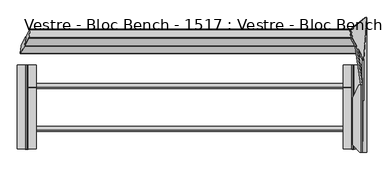
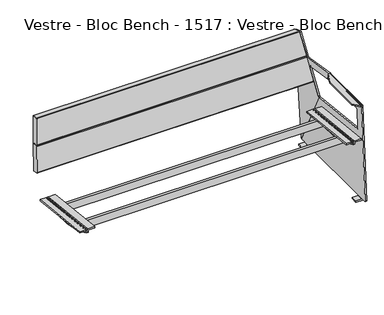
"""IFC4 building model written with IfcOpenShell, lengths in millimetres: furniture geometry, Vestre - Bloc Bench - 1517 : Vestre - Bloc Bench - 1517."""

from ifc_helpers import new_model, si_unit, frame, origin, place, context, project, spatial, polyline, circle_curve, ellipse_curve, outline, extrude, source, transform, mapped, element, save
from ifc_brep_helpers import plane_surface, cylinder_surface, revolved_surface, advanced_brep


def vestre_bloc_bench_1517_vestre_bloc_bench_1517_30f36f54(model_context):
    return source(origin(), model_context, "Body", "SolidModel", [
        advanced_brep(
        [(859.6028254, -318.9270883, 412.6183739), (817.6175866, -318.9270883, 412.6183739), (813.6175866, -319.360624, 408.6419375), (813.6175866, -319.8564605, 404.0940726), (813.6175866, -321.0984876, 392.7020678), (819.6131806, -321.0984876, 392.7020678), (819.6131806, -319.8223825, 404.4066392), (820.5642613, -319.7193007, 405.3521172), (859.6028254, -319.7193007, 405.3521172), (859.6028254, 98.7332944, 367.0824469), (859.6028254, 97.941082, 359.8161902), (820.5642613, 97.941082, 359.8161902), (819.6131806, 97.8380001, 358.8707122), (819.6131806, 96.5595156, 347.1443157), (813.6175866, 96.5595156, 347.1443157), (813.6175866, 97.8039221, 358.5581456), (813.6175866, 98.2997586, 363.1060105), (817.6175866, 98.7332944, 367.0824469)],
        [
            (0, 1),
            (1, 2, circle_curve(frame((817.6175866, -319.360624, 408.6419375), z_axis=(0.0, -0.9941091089617909, 0.10838394474826071), x_axis=(0.0, -0.10838394474826071, -0.9941091089617909)), 4.0)),
            (2, 3),
            (3, 4),
            (4, 5),
            (5, 6),
            (6, 7, circle_curve(frame((820.5642613, -319.8223825, 404.4066392), z_axis=(0.0, 0.9941091089617909, -0.10838394474826071), x_axis=(0.0, -0.10838394474826071, -0.9941091089617909)), 0.9510807)),
            (7, 8),
            (8, 0),
            (9, 10),
            (10, 11),
            (11, 12, circle_curve(frame((820.5642613, 97.8380001, 358.8707122), z_axis=(0.0, -0.9941091089617909, 0.10838394474826071), x_axis=(0.0, -0.10838394474826071, -0.9941091089617909)), 0.9510807)),
            (12, 13),
            (13, 14),
            (14, 15),
            (15, 16),
            (16, 17, circle_curve(frame((817.6175866, 98.2997586, 363.1060105), z_axis=(0.0, 0.9941091089617909, -0.10838394474826071), x_axis=(0.0, -0.10838394474826071, -0.9941091089617909)), 4.0)),
            (17, 9),
            (8, 10),
            (9, 0),
            (7, 11),
            (6, 12),
            (5, 13, circle_curve(frame((819.6131806, -59.7670647, 851.2475639), z_axis=(1.0, 0.0, 0.0), x_axis=(0.0, -1.0, 0.0)), 527.7860216)),
            (3, 15),
            (14, 4, circle_curve(frame((813.6175866, -59.7670647, 851.2475639), z_axis=(-1.0, 0.0, 0.0), x_axis=(0.0, -1.0, 0.0)), 527.7860216)),
            (2, 16),
            (1, 17),
        ],
        [
            plane_surface(frame((813.6175929, -318.9270883, 412.6183739), z_axis=(0.0, -0.9941091089617909, 0.10838394474826071), x_axis=(-1.0, 0.0, 0.0))),
            plane_surface(frame((813.6175929, 98.7332944, 367.0824469), z_axis=(0.0, 0.9941091089617909, -0.10838394474826071), x_axis=(1.0, 0.0, 0.0))),
            plane_surface(frame((859.6028254, -319.7193007, 405.3521172), z_axis=(1.0000000000000002, 0.0, 0.0), x_axis=(0.0, 0.994109108961791, -0.10838394474826066))),
            plane_surface(frame((820.5642613, -319.7193007, 405.3521172), z_axis=(0.0, -0.10838394474826066, -0.994109108961791), x_axis=(0.0, 0.994109108961791, -0.10838394474826066))),
            revolved_surface(polyline([(820.5642613, 97.73491824228601, 357.9252342105562), (820.5642613, -319.92546445485533, 403.46116123677587)]), (820.5642613, 97.8380001, 358.8707122), (0.0, 0.9941091089617909, -0.10838394474826071)),
            plane_surface(frame((819.6131806, -320.2027771, 400.9176199), z_axis=(1.0000000000000002, 0.0, 0.0), x_axis=(0.0, 0.994109108961791, -0.10838394474826066))),
            plane_surface(frame((813.6175866, -319.8564605, 404.0940726), z_axis=(-1.0000000000000002, 0.0, 0.0), x_axis=(0.0, 0.994109108961791, -0.10838394474826064))),
            plane_surface(frame((813.6175866, -319.360624, 408.6419375), z_axis=(-1.0000000000000002, 0.0, 0.0), x_axis=(0.0, 0.994109108961791, -0.10838394474826066))),
            cylinder_surface(frame((817.6175866, 98.2997586, 363.1060105), z_axis=(0.0, -0.9941091089617909, 0.10838394474826071), x_axis=(0.0, -0.10838394474826071, -0.9941091089617909)), 4.0),
            plane_surface(frame((859.6028254, -318.9270883, 412.6183739), z_axis=(0.0, 0.10838394474826066, 0.994109108961791), x_axis=(0.0, 0.994109108961791, -0.10838394474826066))),
            cylinder_surface(frame((819.6131806, -59.7670647, 851.2475639), z_axis=(-1.0, 0.0, 0.0), x_axis=(0.0, -1.0, 0.0)), 527.7860216),
        ],
        [
            (0, [[1, 2, 3, 4, 5, 6, 7, 8, 9]]),
            (1, [[10, 11, 12, 13, 14, 15, 16, 17, 18]]),
            (2, [[-9, 19, -10, 20]]),
            (3, [[-8, 21, -11, -19]]),
            (4, [[-7, 22, -12, -21]]),
            (5, [[-13, -22, -6, 23]]),
            (6, [[-4, 24, -15, 25]]),
            (7, [[-3, 26, -16, -24]]),
            (8, [[-2, 27, -17, -26]]),
            (9, [[-1, -20, -18, -27]]),
            (10, [[-25, -14, -23, -5]]),
        ],
    ),
        advanced_brep(
        [(766.5577736, -318.9102447, 412.772865), (766.5577736, -319.7193007, 405.3521172), (805.5963377, -319.7193007, 405.3521172), (806.5474184, -319.8223825, 404.4066392), (806.5474184, -321.0984876, 392.7020678), (812.5430123, -321.0984876, 392.7020678), (812.5430123, -319.8564605, 404.0940726), (812.5430123, -319.3437805, 408.7964286), (808.5430123, -318.9102447, 412.772865), (766.5577736, 98.750138, 367.236938), (808.5430123, 98.750138, 367.236938), (812.5430123, 98.3166022, 363.2605016), (812.5430123, 97.8039221, 358.5581456), (812.5430123, 96.5595156, 347.1443157), (806.5474184, 96.5595156, 347.1443157), (806.5474184, 97.8380001, 358.8707122), (805.5963377, 97.941082, 359.8161902), (766.5577736, 97.941082, 359.8161902)],
        [
            (0, 1),
            (1, 2),
            (2, 3, circle_curve(frame((805.5963377, -319.8223825, 404.4066392), z_axis=(0.0, 0.9941091089617909, -0.10838394474826071), x_axis=(0.0, -0.10838394474826071, -0.9941091089617909)), 0.9510807)),
            (3, 4),
            (4, 5),
            (5, 6),
            (6, 7),
            (7, 8, circle_curve(frame((808.5430123, -319.3437805, 408.7964286), z_axis=(0.0, -0.9941091089617909, 0.10838394474826071), x_axis=(0.0, -0.10838394474826071, -0.9941091089617909)), 4.0)),
            (8, 0),
            (9, 10),
            (10, 11, circle_curve(frame((808.5430123, 98.3166022, 363.2605016), z_axis=(0.0, 0.9941091089617909, -0.10838394474826071), x_axis=(0.0, -0.10838394474826071, -0.9941091089617909)), 4.0)),
            (11, 12),
            (12, 13),
            (13, 14),
            (14, 15),
            (15, 16, circle_curve(frame((805.5963377, 97.8380001, 358.8707122), z_axis=(0.0, -0.9941091089617909, 0.10838394474826071), x_axis=(0.0, -0.10838394474826071, -0.9941091089617909)), 0.9510807)),
            (16, 17),
            (17, 9),
            (0, 9),
            (17, 1),
            (16, 2),
            (15, 3),
            (14, 4, circle_curve(frame((806.5474184, -59.7670647, 851.2475639), z_axis=(-1.0, 0.0, 0.0), x_axis=(0.0, -1.0, 0.0)), 527.7860216)),
            (5, 13, circle_curve(frame((812.5430123, -59.7670647, 851.2475639), z_axis=(1.0, 0.0, 0.0), x_axis=(0.0, -1.0, 0.0)), 527.7860216)),
            (12, 6),
            (11, 7),
            (10, 8),
        ],
        [
            plane_surface(frame((766.5577736, -319.8423819, 404.223203), z_axis=(0.0, -0.9941091089617909, 0.10838394474826071), x_axis=(0.0, -0.10838394474826071, -0.9941091089617909))),
            plane_surface(frame((766.5577736, 97.8180007, 358.6872759), z_axis=(0.0, 0.9941091089617909, -0.10838394474826071), x_axis=(0.0, 0.10838394474826071, 0.9941091089617909))),
            plane_surface(frame((766.5577736, -318.9102447, 412.772865), z_axis=(-1.0000000000000002, 0.0, 0.0), x_axis=(0.0, 0.994109108961791, -0.10838394474826066))),
            plane_surface(frame((766.5577736, -319.7193007, 405.3521172), z_axis=(0.0, -0.10838394474826069, -0.994109108961791), x_axis=(0.0, 0.994109108961791, -0.10838394474826069))),
            revolved_surface(polyline([(805.5963377, 97.73491824228601, 357.9252342105562), (805.5963377, -319.92546445485533, 403.46116123677587)]), (805.5963377, 97.8380001, 358.8707122), (0.0, 0.9941091089617909, -0.10838394474826071)),
            plane_surface(frame((806.5474184, -319.8223825, 404.4066392), z_axis=(-1.0000000000000002, 0.0, 0.0), x_axis=(0.0, 0.994109108961791, -0.10838394474826064))),
            plane_surface(frame((812.5430123, -320.2027771, 400.9176199), z_axis=(1.0000000000000002, 0.0, 0.0), x_axis=(0.0, 0.994109108961791, -0.10838394474826066))),
            plane_surface(frame((812.5430123, -319.8564605, 404.0940726), z_axis=(1.0000000000000002, 0.0, 0.0), x_axis=(0.0, 0.994109108961791, -0.10838394474826066))),
            cylinder_surface(frame((808.5430123, 98.3166022, 363.2605016), z_axis=(0.0, -0.9941091089617909, 0.10838394474826071), x_axis=(0.0, -0.10838394474826071, -0.9941091089617909)), 4.0),
            plane_surface(frame((808.5430123, -318.9102447, 412.772865), z_axis=(0.0, 0.10838394474826066, 0.994109108961791), x_axis=(0.0, 0.994109108961791, -0.10838394474826066))),
            cylinder_surface(frame((806.5474184, -59.7670647, 851.2475639), z_axis=(1.0, 0.0, 0.0), x_axis=(0.0, -1.0, 0.0)), 527.7860216),
        ],
        [
            (0, [[1, 2, 3, 4, 5, 6, 7, 8, 9]]),
            (1, [[10, 11, 12, 13, 14, 15, 16, 17, 18]]),
            (2, [[-1, 19, -18, 20]]),
            (3, [[-2, -20, -17, 21]]),
            (4, [[-3, -21, -16, 22]]),
            (5, [[-4, -22, -15, 23]]),
            (6, [[-6, 24, -13, 25]]),
            (7, [[-7, -25, -12, 26]]),
            (8, [[-8, -26, -11, 27]]),
            (9, [[-9, -27, -10, -19]]),
            (10, [[-24, -5, -23, -14]]),
        ],
    ),
        advanced_brep(
        [(-766.5577736, -318.8898286, 412.9601231), (-808.5430123, -318.8898286, 412.9601231), (-812.5430123, -319.3233644, 408.9836866), (-812.5430123, -319.8564605, 404.0940726), (-812.5430123, -321.0984876, 392.7020678), (-806.5474184, -321.0984876, 392.7020678), (-806.5474184, -319.8223825, 404.4066392), (-805.5963377, -319.7193007, 405.3521172), (-766.5577736, -319.7193007, 405.3521172), (-766.5577736, 98.770554, 367.4241961), (-766.5577736, 97.941082, 359.8161902), (-805.5963377, 97.941082, 359.8161902), (-806.5474184, 97.8380001, 358.8707122), (-806.5474184, 96.5595156, 347.1443157), (-812.5430123, 96.5595156, 347.1443157), (-812.5430123, 97.8039221, 358.5581456), (-812.5430123, 98.3370182, 363.4477596), (-808.5430123, 98.770554, 367.4241961)],
        [
            (0, 1),
            (1, 2, circle_curve(frame((-808.5430123, -319.3233644, 408.9836866), z_axis=(0.0, -0.9941091089617909, 0.10838394474826071), x_axis=(0.0, -0.10838394474826071, -0.9941091089617909)), 4.0)),
            (2, 3),
            (3, 4),
            (4, 5),
            (5, 6),
            (6, 7, circle_curve(frame((-805.5963377, -319.8223825, 404.4066392), z_axis=(0.0, 0.9941091089617909, -0.10838394474826071), x_axis=(0.0, -0.10838394474826071, -0.9941091089617909)), 0.9510807)),
            (7, 8),
            (8, 0),
            (9, 10),
            (10, 11),
            (11, 12, circle_curve(frame((-805.5963377, 97.8380001, 358.8707122), z_axis=(0.0, -0.9941091089617909, 0.10838394474826071), x_axis=(0.0, -0.10838394474826071, -0.9941091089617909)), 0.9510807)),
            (12, 13),
            (13, 14),
            (14, 15),
            (15, 16),
            (16, 17, circle_curve(frame((-808.5430123, 98.3370182, 363.4477596), z_axis=(0.0, 0.9941091089617909, -0.10838394474826071), x_axis=(0.0, -0.10838394474826071, -0.9941091089617909)), 4.0)),
            (17, 9),
            (8, 10),
            (9, 0),
            (7, 11),
            (6, 12),
            (5, 13, circle_curve(frame((-806.5474184, -59.7670647, 851.2475639), z_axis=(1.0, 0.0, 0.0), x_axis=(0.0, -1.0, 0.0)), 527.7860216)),
            (3, 15),
            (14, 4, circle_curve(frame((-812.5430123, -59.7670647, 851.2475639), z_axis=(-1.0, 0.0, 0.0), x_axis=(0.0, -1.0, 0.0)), 527.7860216)),
            (2, 16),
            (1, 17),
        ],
        [
            plane_surface(frame((-812.5430123, -318.8898286, 412.9601231), z_axis=(0.0, -0.9941091089617909, 0.10838394474826071), x_axis=(-1.0, 0.0, 0.0))),
            plane_surface(frame((-812.5430123, 98.770554, 367.4241961), z_axis=(0.0, 0.9941091089617909, -0.10838394474826071), x_axis=(1.0, 0.0, 0.0))),
            plane_surface(frame((-766.5577736, -319.7193007, 405.3521172), z_axis=(1.0000000000000002, 0.0, 0.0), x_axis=(0.0, 0.994109108961791, -0.10838394474826069))),
            plane_surface(frame((-805.5963377, -319.7193007, 405.3521172), z_axis=(0.0, -0.10838394474826069, -0.994109108961791), x_axis=(0.0, 0.994109108961791, -0.10838394474826069))),
            revolved_surface(polyline([(-805.5963377, 97.73491824228601, 357.9252342105562), (-805.5963377, -319.92546445485533, 403.46116123677587)]), (-805.5963377, 97.8380001, 358.8707122), (0.0, 0.9941091089617909, -0.10838394474826071)),
            plane_surface(frame((-806.5474184, -320.2027771, 400.9176199), z_axis=(1.0000000000000002, 0.0, 0.0), x_axis=(0.0, 0.994109108961791, -0.10838394474826066))),
            plane_surface(frame((-812.5430123, -319.8564605, 404.0940726), z_axis=(-1.0000000000000002, 0.0, 0.0), x_axis=(0.0, 0.994109108961791, -0.10838394474826066))),
            plane_surface(frame((-812.5430123, -319.3233644, 408.9836866), z_axis=(-1.0000000000000002, 0.0, 0.0), x_axis=(0.0, 0.994109108961791, -0.10838394474826066))),
            cylinder_surface(frame((-808.5430123, 98.3370182, 363.4477596), z_axis=(0.0, -0.9941091089617909, 0.10838394474826071), x_axis=(0.0, -0.10838394474826071, -0.9941091089617909)), 4.0),
            plane_surface(frame((-766.5577736, -318.8898286, 412.9601231), z_axis=(0.0, 0.10838394474826066, 0.994109108961791), x_axis=(0.0, 0.994109108961791, -0.10838394474826066))),
            cylinder_surface(frame((-806.5474184, -59.7670647, 851.2475639), z_axis=(-1.0, 0.0, 0.0), x_axis=(0.0, -1.0, 0.0)), 527.7860216),
        ],
        [
            (0, [[1, 2, 3, 4, 5, 6, 7, 8, 9]]),
            (1, [[10, 11, 12, 13, 14, 15, 16, 17, 18]]),
            (2, [[-9, 19, -10, 20]]),
            (3, [[-8, 21, -11, -19]]),
            (4, [[-7, 22, -12, -21]]),
            (5, [[-13, -22, -6, 23]]),
            (6, [[-4, 24, -15, 25]]),
            (7, [[-3, 26, -16, -24]]),
            (8, [[-2, 27, -17, -26]]),
            (9, [[-1, -20, -18, -27]]),
            (10, [[-25, -14, -23, -5]]),
        ],
    ),
        advanced_brep(
        [(-859.6028254, -318.8982426, 412.8829495), (-859.6028254, -319.7193007, 405.3521172), (-820.5642613, -319.7193007, 405.3521172), (-819.6131806, -319.8223825, 404.4066392), (-819.6131806, -321.0984876, 392.7020678), (-813.6175866, -321.0984876, 392.7020678), (-813.6175866, -319.8564605, 404.0940726), (-813.6175866, -319.3317784, 408.9065131), (-817.6175866, -318.8982426, 412.8829495), (-859.6028254, 98.76214, 367.3470225), (-817.6175866, 98.76214, 367.3470225), (-813.6175866, 98.3286043, 363.3705861), (-813.6175866, 97.8039221, 358.5581456), (-813.6175866, 96.5595156, 347.1443157), (-819.6131806, 96.5595156, 347.1443157), (-819.6131806, 97.8380001, 358.8707122), (-820.5642613, 97.941082, 359.8161902), (-859.6028254, 97.941082, 359.8161902)],
        [
            (0, 1),
            (1, 2),
            (2, 3, circle_curve(frame((-820.5642613, -319.8223825, 404.4066392), z_axis=(0.0, 0.9941091089617909, -0.10838394474826071), x_axis=(0.0, -0.10838394474826071, -0.9941091089617909)), 0.9510807)),
            (3, 4),
            (4, 5),
            (5, 6),
            (6, 7),
            (7, 8, circle_curve(frame((-817.6175866, -319.3317784, 408.9065131), z_axis=(0.0, -0.9941091089617909, 0.10838394474826071), x_axis=(0.0, -0.10838394474826071, -0.9941091089617909)), 4.0)),
            (8, 0),
            (9, 10),
            (10, 11, circle_curve(frame((-817.6175866, 98.3286043, 363.3705861), z_axis=(0.0, 0.9941091089617909, -0.10838394474826071), x_axis=(0.0, -0.10838394474826071, -0.9941091089617909)), 4.0)),
            (11, 12),
            (12, 13),
            (13, 14),
            (14, 15),
            (15, 16, circle_curve(frame((-820.5642613, 97.8380001, 358.8707122), z_axis=(0.0, -0.9941091089617909, 0.10838394474826071), x_axis=(0.0, -0.10838394474826071, -0.9941091089617909)), 0.9510807)),
            (16, 17),
            (17, 9),
            (0, 9),
            (17, 1),
            (16, 2),
            (15, 3),
            (14, 4, circle_curve(frame((-819.6131806, -59.7670647, 851.2475639), z_axis=(-1.0, 0.0, 0.0), x_axis=(0.0, -1.0, 0.0)), 527.7860216)),
            (5, 13, circle_curve(frame((-813.6175866, -59.7670647, 851.2475639), z_axis=(1.0, 0.0, 0.0), x_axis=(0.0, -1.0, 0.0)), 527.7860216)),
            (12, 6),
            (11, 7),
            (10, 8),
        ],
        [
            plane_surface(frame((-859.6028254, -319.8423819, 404.223203), z_axis=(0.0, -0.9941091089617909, 0.10838394474826071), x_axis=(0.0, -0.10838394474826071, -0.9941091089617909))),
            plane_surface(frame((-859.6028254, 97.8180007, 358.6872759), z_axis=(0.0, 0.9941091089617909, -0.10838394474826071), x_axis=(0.0, 0.10838394474826071, 0.9941091089617909))),
            plane_surface(frame((-859.6028254, -318.8982426, 412.8829495), z_axis=(-1.0000000000000002, 0.0, 0.0), x_axis=(0.0, 0.994109108961791, -0.10838394474826066))),
            plane_surface(frame((-859.6028254, -319.7193007, 405.3521172), z_axis=(0.0, -0.10838394474826069, -0.994109108961791), x_axis=(0.0, 0.994109108961791, -0.10838394474826069))),
            revolved_surface(polyline([(-820.5642613, 97.73491824228601, 357.9252342105562), (-820.5642613, -319.92546445485533, 403.46116123677587)]), (-820.5642613, 97.8380001, 358.8707122), (0.0, 0.9941091089617909, -0.10838394474826071)),
            plane_surface(frame((-819.6131806, -319.8223825, 404.4066392), z_axis=(-1.0000000000000002, 0.0, 0.0), x_axis=(0.0, 0.994109108961791, -0.10838394474826064))),
            plane_surface(frame((-813.6175866, -320.2027771, 400.9176199), z_axis=(1.0000000000000002, 0.0, 0.0), x_axis=(0.0, 0.994109108961791, -0.10838394474826066))),
            plane_surface(frame((-813.6175866, -319.8564605, 404.0940726), z_axis=(1.0000000000000002, 0.0, 0.0), x_axis=(0.0, 0.994109108961791, -0.10838394474826066))),
            cylinder_surface(frame((-817.6175866, 98.3286043, 363.3705861), z_axis=(0.0, -0.9941091089617909, 0.10838394474826071), x_axis=(0.0, -0.10838394474826071, -0.9941091089617909)), 4.0),
            plane_surface(frame((-817.6175866, -318.8982426, 412.8829495), z_axis=(0.0, 0.10838394474826066, 0.994109108961791), x_axis=(0.0, 0.994109108961791, -0.10838394474826066))),
            cylinder_surface(frame((-819.6131806, -59.7670647, 851.2475639), z_axis=(1.0, 0.0, 0.0), x_axis=(0.0, -1.0, 0.0)), 527.7860216),
        ],
        [
            (0, [[1, 2, 3, 4, 5, 6, 7, 8, 9]]),
            (1, [[10, 11, 12, 13, 14, 15, 16, 17, 18]]),
            (2, [[-1, 19, -18, 20]]),
            (3, [[-2, -20, -17, 21]]),
            (4, [[-3, -21, -16, 22]]),
            (5, [[-4, -22, -15, 23]]),
            (6, [[-6, 24, -13, 25]]),
            (7, [[-7, -25, -12, 26]]),
            (8, [[-8, -26, -11, 27]]),
            (9, [[-9, -27, -10, -19]]),
            (10, [[-24, -5, -23, -14]]),
        ],
    ),
        advanced_brep(
        [(859.6494877, -336.3224978, 634.6042367), (853.6895812, -336.3224978, 640.3596516), (851.4436279, -336.3224978, 640.3596516), (846.5946295, -336.3224978, 640.3596516), (846.5946295, -336.3224978, 632.2382321), (850.2766357, -336.3224978, 632.2382321), (851.7778593, -336.3224978, 630.7885173), (873.3168867, -336.3224978, 13.9914716), (881.3120133, -336.3224978, 14.2706676), (851.7778593, 0.0, 630.7885173), (850.2766357, 0.0, 632.2382321), (842.6377771, 0.0, 632.2382321), (842.6377771, 0.0, 640.3596516), (851.4436279, 0.0, 640.3596516), (853.6895812, 0.0, 640.3596516), (859.6494877, 0.0, 634.6042367), (859.8164077, 0.0, 629.8242748), (851.8212811, 0.0, 629.5450788), (812.6404131, -298.6125202, 632.2382321), (812.6404131, -64.9029098, 632.2382321), (812.6404131, -298.6125202, 640.3596516), (812.6404131, -64.9029098, 640.3596516), (881.4516113, -332.3224978, 10.2731042), (881.4516113, -303.3438949, 10.2731042), (881.4516113, -263.3438949, 10.2731042), (881.4516113, 263.3438949, 10.2731042), (881.4516113, 303.3438949, 10.2731042), (881.4516113, 333.3438949, 10.2731042), (881.4138659, 336.0793859, 11.3539925), (867.5075955, 124.5938136, 409.5774734), (865.9556261, -281.1025506, 454.0200604), (865.8167736, -284.6669706, 457.9962761), (861.3419594, -284.6668873, 586.1381898), (861.2022765, -280.671368, 590.1381847), (861.1901816, 28.5190326, 590.4845362), (859.8164077, 7.626776, 629.8242748), (851.8212811, 7.626776, 629.5450788), (853.1853111, 28.3708474, 590.4843702), (853.1974001, -280.671368, 590.1381847), (853.337083, -284.6668873, 586.1381898), (857.8118973, -284.6669706, 457.9962761), (857.9507498, -281.1025506, 454.0200604), (859.5021169, 124.4363813, 409.5947195), (873.4187392, 336.0793859, 11.0747965), (873.4564847, 333.3438949, 9.9939083), (873.4564847, 303.3438949, 9.9939083), (873.4886988, 303.3438949, 9.0714168), (873.4886988, 263.3438949, 9.0714168), (873.4564847, 263.3438949, 9.9939083), (873.4564847, -263.3438949, 9.9939083), (873.4886988, -263.3438949, 9.0714168), (873.4886988, -303.3438949, 9.0714168), (873.4564847, -303.3438949, 9.9939083), (873.4564847, -332.3224978, 9.9939083), (872.4540437, -303.3438949, 8.0), (835.810356, -303.3438949, 8.0), (835.810356, -303.3438949, 0.0), (873.5140122, -303.3438949, 0.0), (881.4516113, -303.3438949, 8.2703475), (872.4540437, -263.3438949, 8.0), (881.4516113, -263.3438949, 8.2703475), (873.5140122, -263.3438949, 0.0), (835.810356, -263.3438949, 0.0), (835.810356, -263.3438949, 8.0), (872.4540437, 303.3438949, 8.0), (881.4516113, 303.3438949, 8.2703475), (873.5140122, 303.3438949, 0.0), (835.810356, 303.3438949, 0.0), (835.810356, 303.3438949, 8.0), (872.4540437, 263.3438949, 8.0), (835.810356, 263.3438949, 8.0), (835.810356, 263.3438949, 0.0), (873.5140122, 263.3438949, 0.0), (881.4516113, 263.3438949, 8.2703475)],
        [
            (0, 1, circle_curve(frame((853.6895812, -336.3224978, 634.3961122), z_axis=(0.0, -1.0, 0.0), x_axis=(-1.0, 0.0, 0.0)), 5.9635394)),
            (1, 2),
            (2, 3),
            (3, 4),
            (4, 5),
            (5, 6, circle_curve(frame((850.2766357, -336.3224978, 630.7360934), z_axis=(0.0, 1.0, 0.0), x_axis=(-1.0, 0.0, 0.0)), 1.5021387)),
            (6, 7),
            (7, 8),
            (8, 0),
            (9, 10, circle_curve(frame((850.2766357, 0.0, 630.7360934), z_axis=(0.0, -1.0, 0.0), x_axis=(-1.0, 0.0, 0.0)), 1.5021387)),
            (10, 11),
            (11, 12),
            (12, 13),
            (13, 14),
            (14, 15, circle_curve(frame((853.6895812, 0.0, 634.3961122), z_axis=(0.0, 1.0, 0.0), x_axis=(-1.0, 0.0, 0.0)), 5.9635394)),
            (15, 16),
            (16, 17),
            (17, 9),
            (10, 5),
            (4, 18),
            (18, 19),
            (19, 11),
            (18, 20),
            (20, 21),
            (21, 19),
            (2, 13),
            (12, 21),
            (20, 3),
            (1, 14),
            (15, 0),
            (8, 22, circle_curve(frame((881.3120133, -332.3224978, 14.2706676), z_axis=(0.9993908270190959, 0.0, 0.0348994967025008), x_axis=(0.0348994967025008, 0.0, -0.9993908270190959)), 4.0)),
            (22, 23),
            (23, 24),
            (24, 25),
            (25, 26),
            (26, 27),
            (27, 28, circle_curve(frame((881.3120088, 333.3438949, 14.2707962), z_axis=(0.9993908270190959, 0.0, 0.0348994967025008), x_axis=(0.0348994967025008, 0.0, -0.9993908270190959)), 4.0001287)),
            (28, 29),
            (29, 30),
            (30, 31, ellipse_curve(frame((865.8167737, -280.6669706, 457.9962735), z_axis=(-0.9993908270190961, 0.0, -0.03489949670249125), x_axis=(-0.03489949670248915, 0.0, 0.9993908270190963)), 4.0024382, 4.0)),
            (31, 32),
            (32, 33, ellipse_curve(frame((861.3419595, -280.6668873, 586.1381872), z_axis=(-0.9993908270190961, 0.0, -0.03489949670249125), x_axis=(-0.03489949670248915, 0.0, 0.9993908270190963)), 4.0024382, 4.0)),
            (33, 34),
            (34, 35),
            (35, 16),
            (6, 9),
            (17, 36),
            (36, 37),
            (37, 38),
            (38, 39, ellipse_curve(frame((853.3370831, -280.6668873, 586.1381872), z_axis=(0.9993908270190955, 0.0, 0.03489949670250719), x_axis=(-0.03489949670250501, 0.0, 0.9993908270190955)), 4.0024382, 4.0)),
            (39, 40),
            (40, 41, ellipse_curve(frame((857.8118974, -280.6669706, 457.9962735), z_axis=(0.9993908270190955, 0.0, 0.03489949670250719), x_axis=(-0.03489949670250501, 0.0, 0.9993908270190955)), 4.0024382, 4.0)),
            (41, 42),
            (42, 43),
            (43, 44, circle_curve(frame((873.3168822, 333.3438949, 13.9916002), z_axis=(-0.9993908270190959, 0.0, -0.0348994967025008), x_axis=(0.0348994967025008, 0.0, -0.9993908270190959)), 4.0001287)),
            (44, 45),
            (45, 46),
            (46, 47),
            (47, 48),
            (48, 49),
            (49, 50),
            (50, 51),
            (51, 52),
            (52, 53),
            (53, 7, circle_curve(frame((873.3168867, -332.3224978, 13.9914716), z_axis=(-0.9993908270190959, 0.0, -0.0348994967025008), x_axis=(0.0348994967025008, 0.0, -0.9993908270190959)), 4.0)),
            (28, 43),
            (42, 29),
            (36, 35),
            (34, 37),
            (27, 44),
            (26, 45),
            (22, 53),
            (52, 23),
            (24, 49),
            (48, 25),
            (54, 55),
            (55, 56),
            (56, 57),
            (57, 58, circle_curve(frame((873.1742893, -303.3438949, 8.2703475), z_axis=(0.0, -1.0, 0.0), x_axis=(-1.0, 0.0, 0.0)), 8.277322)),
            (58, 23),
            (51, 54, circle_curve(frame((872.4540437, -303.3438949, 9.0352858), z_axis=(0.0, 1.0, 0.0), x_axis=(-1.0, 0.0, 0.0)), 1.0352858)),
            (59, 50, circle_curve(frame((872.4540437, -263.3438949, 9.0352858), z_axis=(0.0, -1.0, 0.0), x_axis=(-1.0, 0.0, 0.0)), 1.0352858)),
            (24, 60),
            (60, 61, circle_curve(frame((873.1742893, -263.3438949, 8.2703475), z_axis=(0.0, 1.0, 0.0), x_axis=(-1.0, 0.0, 0.0)), 8.277322)),
            (61, 62),
            (62, 63),
            (63, 59),
            (59, 54),
            (56, 62),
            (61, 57),
            (55, 63),
            (58, 60),
            (64, 46, circle_curve(frame((872.4540437, 303.3438949, 9.0352858), z_axis=(0.0, -1.0, 0.0), x_axis=(-1.0, 0.0, 0.0)), 1.0352858)),
            (26, 65),
            (65, 66, circle_curve(frame((873.1742893, 303.3438949, 8.2703475), z_axis=(0.0, 1.0, 0.0), x_axis=(-1.0, 0.0, 0.0)), 8.277322)),
            (66, 67),
            (67, 68),
            (68, 64),
            (69, 70),
            (70, 71),
            (71, 72),
            (72, 73, circle_curve(frame((873.1742893, 263.3438949, 8.2703475), z_axis=(0.0, -1.0, 0.0), x_axis=(-1.0, 0.0, 0.0)), 8.277322)),
            (73, 25),
            (47, 69, circle_curve(frame((872.4540437, 263.3438949, 9.0352858), z_axis=(0.0, 1.0, 0.0), x_axis=(-1.0, 0.0, 0.0)), 1.0352858)),
            (64, 69),
            (66, 72),
            (71, 67),
            (70, 68),
            (73, 65),
            (33, 38),
            (32, 39),
            (31, 40),
            (30, 41),
        ],
        [
            plane_surface(frame((847.7260418, -336.3224978, 634.3961122), z_axis=(0.0, -1.0, 0.0), x_axis=(0.0, 0.0, -1.0))),
            plane_surface(frame((847.7260418, 0.0, 634.3961122), z_axis=(0.0, 1.0, 0.0), x_axis=(0.0, 0.0, 1.0))),
            plane_surface(frame((812.6404131, -336.3224978, 632.2382321), z_axis=(0.0, 0.0, -1.0), x_axis=(0.0, 1.0, 0.0))),
            plane_surface(frame((812.6404131, -336.3224978, 640.3596516), z_axis=(-1.0, 0.0, 0.0), x_axis=(0.0, 1.0, 0.0))),
            plane_surface(frame((851.4436279, -336.3224978, 640.3596516), z_axis=(0.0, 0.0, 1.0), x_axis=(0.0, 1.0, 0.0))),
            plane_surface(frame((853.6895812, -336.3224978, 640.3596516), z_axis=(0.0, 0.0, 1.0), x_axis=(0.0, 1.0, 0.0))),
            plane_surface(frame((859.8862566, -336.3224978, 627.8240627), z_axis=(0.9993908270190961, 0.0, 0.03489949670249125), x_axis=(0.0, 1.0, 0.0))),
            cylinder_surface(frame((853.6895812, 0.0, 634.3961122), z_axis=(0.0, -1.0, 0.0), x_axis=(-1.0, 0.0, 0.0)), 5.9635394),
            plane_surface(frame((851.7778593, -336.3224978, 630.7885173), z_axis=(-0.9993908270190955, 0.0, -0.03489949670250719), x_axis=(0.0, 1.0, 0.0))),
            revolved_surface(polyline([(848.774497, 0.0, 630.7360934), (848.774497, -336.3224978, 630.7360934)]), (850.2766357, 0.0, 630.7360934), (0.0, 1.0, 0.0)),
            plane_surface(frame((842.6377771, 0.0, 616.5713791), z_axis=(-0.9077348201474655, 0.419544391324504, 0.0), x_axis=(0.0, 0.0, 1.0))),
            plane_surface(frame((812.6352383, -298.6067729, 616.5713791), z_axis=(-0.7431448254773961, -0.6691306063588561, 0.0), x_axis=(0.0, 0.0, 1.0))),
            plane_surface(frame((881.4138659, 336.0793859, 11.3539925), z_axis=(-0.01636123681982898, 0.8832989769010681, 0.46852452159439023), x_axis=(-0.9993908270190958, 0.0, -0.034899496702500754))),
            cylinder_surface(frame((873.3168822, 333.3438949, 13.9916002), z_axis=(0.9993908270190959, 0.0, 0.0348994967025008), x_axis=(0.0348994967025008, 0.0, -0.9993908270190959)), 4.0001287),
            plane_surface(frame((881.4516113, -332.3224978, 10.2731042), z_axis=(0.034899496702500754, 0.0, -0.9993908270190958), x_axis=(-0.9993908270190958, 0.0, -0.034899496702500754))),
            cylinder_surface(frame((873.3168867, -332.3224978, 13.9914716), z_axis=(0.9993908270190959, 0.0, 0.0348994967025008), x_axis=(0.0348994967025008, 0.0, -0.9993908270190959)), 4.0),
            plane_surface(frame((859.8164077, 7.626776, 629.8242748), z_axis=(-0.034899496702506035, 0.0, 0.9993908270190955), x_axis=(-0.9993908270190955, 0.0, -0.034899496702506035))),
            plane_surface(frame((835.810356, -303.3438949, 8.0), z_axis=(0.0, -1.0, 0.0), x_axis=(-1.0, 0.0, 0.0))),
            plane_surface(frame((835.810356, -263.3438949, 8.0), z_axis=(0.0, 1.0, 0.0), x_axis=(1.0, 0.0, 0.0))),
            revolved_surface(polyline([(871.4187579000001, -263.3438949, 9.0352858), (871.4187579000001, -303.3438949, 9.0352858)]), (872.4540437, -263.3438949, 9.0352858), (0.0, 1.0, 0.0)),
            plane_surface(frame((835.810356, -303.3438949, 0.0), z_axis=(0.0, 0.0, -1.0), x_axis=(0.0, 1.0, 0.0))),
            plane_surface(frame((835.810356, -303.3438949, 8.0), z_axis=(-1.0, 0.0, 0.0), x_axis=(0.0, 1.0, 0.0))),
            plane_surface(frame((872.4540437, -303.3438949, 8.0), z_axis=(0.0, 0.0, 1.0), x_axis=(0.0, 1.0, 0.0))),
            plane_surface(frame((881.4516113, -303.3438949, 8.2703475), z_axis=(1.0, 0.0, 0.0), x_axis=(0.0, 1.0, 0.0))),
            cylinder_surface(frame((873.1742893, -263.3438949, 8.2703475), z_axis=(0.0, -1.0, 0.0), x_axis=(-1.0, 0.0, 0.0)), 8.277322),
            plane_surface(frame((871.4187578, 303.3438949, 9.0352858), z_axis=(0.0, 1.0, 0.0), x_axis=(0.0, 0.0, -1.0))),
            plane_surface(frame((871.4187578, 263.3438949, 9.0352858), z_axis=(0.0, -1.0, 0.0), x_axis=(0.0, 0.0, 1.0))),
            revolved_surface(polyline([(871.4187579000001, 263.3438949, 9.0352858), (871.4187579000001, 303.3438949, 9.0352858)]), (872.4540437, 263.3438949, 9.0352858), (0.0, -1.0, 0.0)),
            plane_surface(frame((873.5140122, 303.3438949, 0.0), z_axis=(0.0, 0.0, -1.0), x_axis=(0.0, -1.0, 0.0))),
            plane_surface(frame((835.810356, 303.3438949, 0.0), z_axis=(-1.0, 0.0, 0.0), x_axis=(0.0, -1.0, 0.0))),
            plane_surface(frame((835.810356, 303.3438949, 8.0), z_axis=(0.0, 0.0, 1.0), x_axis=(0.0, -1.0, 0.0))),
            plane_surface(frame((881.4516113, 303.3438949, 10.2731042), z_axis=(1.0, 0.0, 0.0), x_axis=(0.0, -1.0, 0.0))),
            cylinder_surface(frame((873.1742893, 263.3438949, 8.2703475), z_axis=(0.0, 1.0, 0.0), x_axis=(-1.0, 0.0, 0.0)), 8.277322),
            plane_surface(frame((812.6404131, -280.671368, 590.1381847), z_axis=(0.0, 0.0011201877232388624, -0.9999993725895355), x_axis=(1.0, 0.0, 0.0))),
            revolved_surface(polyline([(853.1974000212371, -284.6668873, 586.1381872), (861.4816425787628, -284.6668873, 586.1381872)]), (919.9232064, -280.6668873, 586.1381872), (-1.0, 0.0, 0.0)),
            plane_surface(frame((812.6404131, -284.6669706, 457.9962761), z_axis=(0.0, 0.9999999999997885, -6.504329964730784e-07), x_axis=(1.0, 0.0, 0.0))),
            revolved_surface(polyline([(857.6722143212371, -284.6669706, 457.9962735), (865.9564567787628, -284.6669706, 457.9962735)]), (919.9232064, -280.6669706, 457.9962735), (-1.0, 0.0, 0.0)),
            plane_surface(frame((812.6404131, 124.8590494, 409.5484177), z_axis=(0.0, 0.10889498268372896, 0.994053259511939), x_axis=(1.0, 0.0, 0.0))),
        ],
        [
            (0, [[1, 2, 3, 4, 5, 6, 7, 8, 9]]),
            (1, [[10, 11, 12, 13, 14, 15, 16, 17, 18]]),
            (2, [[19, -5, 20, 21, 22, -11]]),
            (3, [[-21, 23, 24, 25]]),
            (4, [[26, -13, 27, -24, 28, -3]]),
            (5, [[-2, 29, -14, -26]]),
            (6, [[30, -9, 31, 32, 33, 34, 35, 36, 37, 38, 39, 40, 41, 42, 43, 44, 45, -16]]),
            (7, [[-1, -30, -15, -29]]),
            (8, [[46, -18, 47, 48, 49, 50, 51, 52, 53, 54, 55, 56, 57, 58, 59, 60, 61, 62, 63, 64, 65, -7]]),
            (9, [[-6, -19, -10, -46]]),
            (10, [[-12, -22, -25, -27]]),
            (11, [[-4, -28, -23, -20]]),
            (12, [[66, -54, 67, -38]]),
            (12, [[68, -44, 69, -48]]),
            (13, [[-37, 70, -55, -66]]),
            (14, [[-70, -36, 71, -56]]),
            (14, [[72, -64, 73, -32]]),
            (14, [[74, -60, 75, -34]]),
            (15, [[-31, -8, -65, -72]]),
            (16, [[-68, -47, -17, -45]]),
            (17, [[76, 77, 78, 79, 80, -73, -63, 81]]),
            (18, [[82, -61, -74, 83, 84, 85, 86, 87]]),
            (19, [[-81, -62, -82, 88]]),
            (20, [[-78, 89, -85, 90]]),
            (21, [[-77, 91, -86, -89]]),
            (22, [[-76, -88, -87, -91]]),
            (23, [[-80, 92, -83, -33]]),
            (24, [[-79, -90, -84, -92]]),
            (25, [[93, -57, -71, 94, 95, 96, 97, 98]]),
            (26, [[99, 100, 101, 102, 103, -75, -59, 104]]),
            (27, [[-93, 105, -104, -58]]),
            (28, [[-96, 106, -101, 107]]),
            (29, [[-97, -107, -100, 108]]),
            (30, [[-98, -108, -99, -105]]),
            (31, [[-94, -35, -103, 109]]),
            (32, [[-95, -109, -102, -106]]),
            (33, [[110, -49, -69, -43]]),
            (34, [[-110, -42, 111, -50]]),
            (35, [[-111, -41, 112, -51]]),
            (36, [[-112, -40, 113, -52]]),
            (37, [[-113, -39, -67, -53]]),
        ],
    ),
        advanced_brep(
        [(880.8633489, 337.9713039, 14.8944279), (806.2060941, 277.1577, 774.9426086), (806.2223905, 274.267721, 778.499374), (810.120629, 238.2446052, 789.0752934), (811.1014693, 233.3654515, 786.3705641), (832.2804167, 194.0587936, 643.2798026), (833.1217155, 190.2995977, 640.4138721), (859.5577941, 1.98384, 640.3594265), (861.2994828, 28.470929, 590.4844823), (840.7791117, 174.5518534, 590.6481205), (840.7909312, 178.4134646, 585.5886209), (866.2037222, 131.2504543, 413.8911008), (867.5760922, 124.8590494, 409.5484177), (867.61676, 124.5422214, 409.5831251), (881.5280215, 336.1005897, 11.2206695), (872.9871313, 336.8658767, 14.0323223), (873.6518039, 334.9951625, 10.3585639), (859.704087, 122.8823921, 409.7649535), (859.4503645, 124.8590494, 409.5484177), (858.0779945, 131.2504543, 413.8911008), (832.6652035, 178.4134646, 585.5886209), (832.653384, 174.5518534, 590.6481205), (853.3932206, 26.9085927, 590.4827322), (851.6815764, 0.8784127, 639.4973209), (825.2454978, 189.1941704, 639.5517666), (824.4041991, 192.9533663, 642.417697), (803.2252516, 232.2600242, 785.5084585), (802.2444113, 237.139178, 788.2131877), (798.3461729, 273.1622937, 777.6372684), (798.3298764, 276.0522727, 774.080503), (837.8982285, 205.1850931, 503.4518959), (800.2290396, 275.0977695, 757.9536062), (801.1905091, 266.3758239, 760.3532344), (838.8596981, 196.4631475, 505.8515241), (791.2328587, 205.1005271, 503.3842593), (783.301588, 206.9046912, 509.9877088), (747.1427984, 272.5788357, 749.0639533), (755.0440225, 275.0158862, 757.8881152), (755.0563553, 266.2922205, 760.2863677), (747.1551312, 263.8551701, 751.4622058), (783.3139208, 198.1810256, 512.3859614), (791.2451915, 196.3768615, 505.7825119)],
        [
            (0, 1),
            (1, 2, circle_curve(frame((806.788641, 273.2088149, 774.683869), z_axis=(0.9845272064646956, 0.13817840671662618, 0.10776320173453148), x_axis=(0.10809843818608313, 0.005098251508800457, -0.9941271224009949)), 4.0)),
            (2, 3),
            (3, 4, circle_curve(frame((810.6868794, 237.1856992, 785.2597883), z_axis=(0.9845272064646956, 0.13817840671662618, 0.10776320173453148), x_axis=(0.10809843818608313, 0.005098251508800457, -0.9941271224009949)), 4.0)),
            (4, 5),
            (5, 6, circle_curve(frame((832.6950066, 190.2385459, 644.3905783), z_axis=(-0.9845272064646956, -0.13817840671662618, -0.10776320173453148), x_axis=(0.10809843818608313, 0.005098251508800457, -0.9941271224009949)), 4.0)),
            (6, 7),
            (7, 8),
            (8, 9),
            (9, 10, ellipse_curve(frame((841.2163098, 174.5563342, 586.648123), z_axis=(-0.9845272064646957, -0.13817840671662626, -0.10776320173453156), x_axis=(-0.17523178858535396, 0.7763454442639398, 0.6054598016712618)), 4.0628639, 4.0)),
            (10, 11),
            (11, 12, ellipse_curve(frame((866.8370673, 125.5075832, 415.4685906), z_axis=(-0.9845272064646957, -0.13817840671662626, -0.10776320173453156), x_axis=(-0.17523178858535396, 0.7763454442639398, 0.6054598016712618)), 6.049187, 5.9555892)),
            (12, 13),
            (13, 14),
            (14, 0, circle_curve(frame((881.4454916, 334.025159, 14.6358678), z_axis=(0.9845272064646956, 0.13817840671662618, 0.10776320173453148), x_axis=(0.10809843818608313, 0.005098251508800457, -0.9941271224009949)), 3.9972244)),
            (15, 16, circle_curve(frame((873.5692739, 332.9197317, 13.7737622), z_axis=(-0.9845272064646956, -0.13817840671662618, -0.10776320173453148), x_axis=(0.10809843818608313, 0.005098251508800457, -0.9941271224009949)), 3.9972244)),
            (16, 17),
            (17, 18),
            (18, 19, ellipse_curve(frame((858.7113396, 125.5075832, 415.4685906), z_axis=(0.9845272064646957, 0.13817840671662626, 0.10776320173453156), x_axis=(-0.17523178858535396, 0.7763454442639398, 0.6054598016712618)), 6.049187, 5.9555892)),
            (19, 20),
            (20, 21, ellipse_curve(frame((833.0905821, 174.5563342, 586.648123), z_axis=(0.9845272064646957, 0.13817840671662626, 0.10776320173453156), x_axis=(-0.17523178858535396, 0.7763454442639398, 0.6054598016712618)), 4.0628639, 4.0)),
            (21, 22),
            (22, 23),
            (23, 24),
            (24, 25, circle_curve(frame((824.8187889, 189.1331186, 643.5284727), z_axis=(0.9845272064646956, 0.13817840671662618, 0.10776320173453148), x_axis=(0.10809843818608313, 0.005098251508800457, -0.9941271224009949)), 4.0)),
            (25, 26),
            (26, 27, circle_curve(frame((802.8106618, 236.0802719, 784.3976827), z_axis=(-0.9845272064646956, -0.13817840671662618, -0.10776320173453148), x_axis=(0.10809843818608313, 0.005098251508800457, -0.9941271224009949)), 4.0)),
            (27, 28),
            (28, 29, circle_curve(frame((798.9124233, 272.1033877, 773.8217633), z_axis=(-0.9845272064646956, -0.13817840671662618, -0.10776320173453148), x_axis=(0.10809843818608313, 0.005098251508800457, -0.9941271224009949)), 4.0)),
            (29, 15),
            (30, 31),
            (31, 32),
            (32, 33),
            (33, 30),
            (1, 29),
            (28, 2),
            (0, 15),
            (14, 16),
            (13, 17),
            (7, 23),
            (22, 8),
            (6, 24),
            (5, 25),
            (4, 26),
            (3, 27),
            (9, 21),
            (20, 10),
            (12, 18),
            (11, 19),
            (34, 35, circle_curve(frame((791.2178354, 207.2211344, 511.098065), z_axis=(-0.0013631459484884437, 0.9642258427672697, -0.2650786033856214), x_axis=(-0.1443145567522505, 0.26211427827888556, 0.9541852093968657)), 8.0)),
            (35, 36),
            (36, 37, circle_curve(frame((755.0590458, 272.8952788, 750.1743095), z_axis=(-0.0013631459484884437, 0.9642258427672697, -0.2650786033856214), x_axis=(-0.1443145567522505, 0.26211427827888556, 0.9541852093968657)), 8.0)),
            (37, 31),
            (30, 34),
            (38, 39, circle_curve(frame((755.0713786, 264.1716132, 752.572562), z_axis=(0.0013631459484884437, -0.9642258427672697, 0.2650786033856214), x_axis=(-0.1443145567522505, 0.26211427827888556, 0.9541852093968657)), 8.0)),
            (39, 40),
            (40, 41, circle_curve(frame((791.2301682, 198.4974688, 513.4963176), z_axis=(0.0013631459484884437, -0.9642258427672697, 0.2650786033856214), x_axis=(-0.1443145567522505, 0.26211427827888556, 0.9541852093968657)), 8.0)),
            (41, 33),
            (32, 38),
            (36, 39),
            (38, 37),
            (35, 40),
            (34, 41),
        ],
        [
            plane_surface(frame((806.2060941, 277.1577, 774.9426086), z_axis=(0.9845272064646955, 0.13817840671662623, 0.10776320173453154), x_axis=(-0.09744806620720971, -0.07937832858943744, 0.992070035502949))),
            plane_surface(frame((798.3298764, 276.0522727, 774.080503), z_axis=(-0.9845272064646955, -0.13817840671662623, -0.10776320173453154), x_axis=(0.09744806620720971, 0.07937832858943744, -0.992070035502949))),
            cylinder_surface(frame((798.9124233, 272.1033877, 773.8217633), z_axis=(0.9845272064646956, 0.13817840671662618, 0.10776320173453148), x_axis=(0.10809843818608313, 0.005098251508800457, -0.9941271224009949)), 4.0),
            plane_surface(frame((880.8633489, 337.9713039, 14.8944279), z_axis=(-0.14563671969424266, 0.9872212562883766, 0.06468490557386646), x_axis=(-0.9845272064646944, -0.13817840671663073, -0.10776320173453648))),
            cylinder_surface(frame((873.5692739, 332.9197317, 13.7737622), z_axis=(0.9845272064646956, 0.13817840671662618, 0.10776320173453148), x_axis=(0.10809843818608313, 0.005098251508800457, -0.9941271224009949)), 3.9972244),
            plane_surface(frame((859.5577941, 1.98384, 640.3594265), z_axis=(0.17249891043919804, -0.8724250405319158, -0.4572949535586141), x_axis=(-0.9845272064646956, -0.13817840671662243, -0.10776320173453661))),
            plane_surface(frame((833.1217155, 190.2995977, 640.4138722), z_axis=(-0.10667723092490314, -0.015262962519211882, 0.9941765488972931), x_axis=(-0.9845272064646949, -0.13817840671662657, -0.10776320173453655))),
            revolved_surface(polyline([(825.2511826331016, 189.15351160327833, 639.551964208246), (833.1274003560839, 190.25893886701334, 640.4140698299226)]), (824.8187889, 189.1331186, 643.5284727), (-0.9845272064646956, -0.13817840671662618, -0.10776320173453148)),
            plane_surface(frame((811.1014693, 233.3654515, 786.3705641), z_axis=(0.10364746347884374, -0.955061925655032, 0.2776939348968645), x_axis=(-0.9845272064646949, -0.13817840671662657, -0.10776320173453655))),
            cylinder_surface(frame((802.8106618, 236.0802719, 784.3976827), z_axis=(0.9845272064646956, 0.13817840671662618, 0.10776320173453148), x_axis=(0.10809843818608313, 0.005098251508800457, -0.9941271224009949)), 4.0),
            plane_surface(frame((806.2223905, 274.267721, 778.499374), z_axis=(-0.14156261468824796, 0.26472650457534297, 0.9538762518785902), x_axis=(-0.9845272064646949, -0.13817840671662657, -0.10776320173453655))),
            revolved_surface(polyline([(832.3786391920241, 170.5563342, 586.648123), (841.9282527079758, 170.5563342, 586.648123)]), (919.9232064, 174.5563342, 586.648123), (-1.0, 0.0, 0.0)),
            plane_surface(frame((812.6404131, -280.671368, 590.1381847), z_axis=(0.0, 0.0011201877232388624, -0.9999993725895355), x_axis=(1.0, 0.0, 0.0))),
            plane_surface(frame((812.6404131, 124.8590494, 409.5484177), z_axis=(0.0, 0.10889498268372896, 0.994053259511939), x_axis=(1.0, 0.0, 0.0))),
            revolved_surface(polyline([(857.6513297425028, 119.551994, 415.4685906), (867.8970771574972, 119.551994, 415.4685906)]), (919.9232064, 125.5075832, 415.4685906), (-1.0, 0.0, 0.0)),
            plane_surface(frame((812.6404131, 178.4134646, 585.5886209), z_axis=(0.0, -0.9642826121585462, 0.2648755252730816), x_axis=(1.0, 0.0, 0.0))),
            plane_surface(frame((804.0386477, 275.1046732, 757.9591278), z_axis=(-0.0013631459484884298, 0.9642258427672699, -0.26507860338562156), x_axis=(0.9999973076401405, 0.0018121741131798064, 0.0014493920980635183))),
            plane_surface(frame((804.0509805, 266.3810076, 760.3573804), z_axis=(0.0013631459484884298, -0.9642258427672699, 0.26507860338562156), x_axis=(-0.9999973076401405, -0.0018121741131798064, -0.0014493920980635183))),
            cylinder_surface(frame((755.0713786, 264.1716132, 752.572562), z_axis=(-0.0013631459484884437, 0.9642258427672697, -0.2650786033856214), x_axis=(-0.1443145567522505, 0.26211427827888556, 0.9541852093968657)), 8.0),
            plane_surface(frame((783.301588, 206.9046912, 509.9877088), z_axis=(-0.9895309245003534, -0.039555394854398324, -0.13879452509154833), x_axis=(0.001363145948487987, -0.9642258427672699, 0.2650786033856207))),
            cylinder_surface(frame((791.2301682, 198.4974688, 513.4963176), z_axis=(-0.0013631459484884437, 0.9642258427672697, -0.2650786033856214), x_axis=(-0.1443145567522505, 0.26211427827888556, 0.9541852093968657)), 8.0),
            plane_surface(frame((841.6458762, 205.1918845, 503.4573277), z_axis=(0.0018779099002757256, -0.26507591396566216, -0.9642257169821158), x_axis=(0.001363145948487982, -0.9642258427672702, 0.2650786033856198))),
            plane_surface(frame((755.0440225, 275.0158862, 757.8881152), z_axis=(-0.0018779099002687964, 0.2650759139656631, 0.9642257169821156), x_axis=(0.001363145948487987, -0.9642258427672699, 0.2650786033856207))),
        ],
        [
            (0, [[1, 2, 3, 4, 5, 6, 7, 8, 9, 10, 11, 12, 13, 14, 15]]),
            (1, [[16, 17, 18, 19, 20, 21, 22, 23, 24, 25, 26, 27, 28, 29, 30], [31, 32, 33, 34]]),
            (2, [[-2, 35, -29, 36]]),
            (3, [[-1, 37, -30, -35]]),
            (4, [[-15, 38, -16, -37]]),
            (5, [[-38, -14, 39, -17]]),
            (5, [[40, -23, 41, -8]]),
            (6, [[-7, 42, -24, -40]]),
            (7, [[-6, 43, -25, -42]]),
            (8, [[-5, 44, -26, -43]]),
            (9, [[-4, 45, -27, -44]]),
            (10, [[-3, -36, -28, -45]]),
            (11, [[46, -21, 47, -10]]),
            (12, [[-46, -9, -41, -22]]),
            (13, [[48, -18, -39, -13]]),
            (14, [[-48, -12, 49, -19]]),
            (15, [[-49, -11, -47, -20]]),
            (16, [[50, 51, 52, 53, -31, 54]]),
            (17, [[55, 56, 57, 58, -33, 59]]),
            (18, [[-52, 60, -55, 61]]),
            (19, [[-51, 62, -56, -60]]),
            (20, [[-50, 63, -57, -62]]),
            (21, [[-63, -54, -34, -58]]),
            (22, [[-61, -59, -32, -53]]),
        ],
    ),
        advanced_brep(
        [(840.1635722, 200.049211, 489.3411004), (841.1598418, 195.1325032, 486.5435624), (-841.1573378, 195.1325032, 486.5435624), (-840.1610682, 200.049211, 489.3411004), (819.5800048, 238.2516373, 628.4083471), (-819.5775008, 238.2516373, 628.4083471), (819.4344732, 235.45412, 633.3250189), (-819.4319692, 235.45412, 633.3250189), (823.3690852, 199.7760127, 643.1262446), (-823.3665812, 199.7760127, 643.1262446), (824.3653547, 194.8593048, 640.3287069), (-824.3628508, 194.8593048, 640.3287069), (844.9489233, 156.6568701, 501.2614604), (-844.9464194, 156.6568701, 501.2614604), (845.0944549, 159.4543876, 496.3447884), (-845.091951, 159.4543876, 496.3447884)],
        [
            (0, 1, ellipse_curve(frame((840.5889412, 196.1920983, 490.4006673), z_axis=(-0.9845272064646966, -0.13817840671662351, -0.10776320173452662), x_axis=(0.17523178858534905, -0.7763454442639481, -0.6054598016712525)), 4.0628639, 4.0)),
            (1, 2),
            (2, 3, ellipse_curve(frame((-840.5864372, 196.1920983, 490.4006673), z_axis=(0.9845272064646966, -0.13817840671662296, -0.10776320173452728), x_axis=(0.17523178858534907, 0.7763454442639451, 0.6054598016712562)), 4.0628639, 4.0)),
            (3, 0),
            (4, 0),
            (3, 5),
            (5, 4),
            (6, 4, ellipse_curve(frame((820.0053738, 234.3945247, 629.4679141), z_axis=(-0.9845272064646966, -0.13817840671662351, -0.10776320173452662), x_axis=(0.17523178858534905, -0.7763454442639481, -0.6054598016712525)), 4.0628639, 4.0)),
            (5, 7, ellipse_curve(frame((-820.0028698, 234.3945247, 629.4679141), z_axis=(0.9845272064646966, -0.13817840671662296, -0.10776320173452728), x_axis=(0.17523178858534907, 0.7763454442639451, 0.6054598016712562)), 4.0628639, 4.0)),
            (7, 6),
            (8, 6),
            (7, 9),
            (9, 8),
            (10, 8, ellipse_curve(frame((823.9399858, 198.7164174, 639.2691397), z_axis=(-0.9845272064646966, -0.13817840671662351, -0.10776320173452662), x_axis=(0.17523178858534905, -0.7763454442639481, -0.6054598016712525)), 4.0628639, 4.0)),
            (9, 11, ellipse_curve(frame((-823.9374818, 198.7164174, 639.2691397), z_axis=(0.9845272064646966, -0.13817840671662296, -0.10776320173452728), x_axis=(0.17523178858534907, 0.7763454442639451, 0.6054598016712562)), 4.0628639, 4.0)),
            (11, 10),
            (12, 10),
            (11, 13),
            (13, 12),
            (14, 12, ellipse_curve(frame((844.5235544, 160.5139827, 500.2018933), z_axis=(-0.9845272064646966, -0.13817840671662351, -0.10776320173452662), x_axis=(0.17523178858534905, -0.7763454442639481, -0.6054598016712525)), 4.0628639, 4.0)),
            (13, 15, ellipse_curve(frame((-844.5210504, 160.5139827, 500.2018933), z_axis=(0.9845272064646966, -0.13817840671662296, -0.10776320173452728), x_axis=(0.17523178858534907, 0.7763454442639451, 0.6054598016712562)), 4.0628639, 4.0)),
            (15, 14),
            (1, 14),
            (15, 2),
        ],
        [
            cylinder_surface(frame((-849.4957131, 196.1920983, 490.4006673), z_axis=(1.0, 0.0, 0.0), x_axis=(0.0, -1.0, 0.0)), 4.0),
            plane_surface(frame((845.3239935, 200.049211, 489.3411004), z_axis=(0.0, 0.9642781573688652, -0.26489174245586833), x_axis=(-1.0, 0.0, 0.0))),
            cylinder_surface(frame((-849.4957131, 234.3945247, 629.4679141), z_axis=(1.0, 0.0, 0.0), x_axis=(0.0, -1.0, 0.0)), 4.0),
            plane_surface(frame((845.3239935, 235.45412, 633.3250189), z_axis=(0.0, 0.2648988265500062, 0.9642762113069211), x_axis=(-1.0, 0.0, 0.0))),
            cylinder_surface(frame((-849.4957131, 198.7164174, 639.2691397), z_axis=(1.0, 0.0, 0.0), x_axis=(0.0, -1.0, 0.0)), 4.0),
            plane_surface(frame((845.3239935, 194.8593048, 640.3287069), z_axis=(0.0, -0.9642781425237719, 0.2648917964960493), x_axis=(-1.0, 0.0, 0.0))),
            cylinder_surface(frame((-849.4957131, 160.5139827, 500.2018933), z_axis=(1.0, 0.0, 0.0), x_axis=(0.0, -1.0, 0.0)), 4.0),
            plane_surface(frame((845.3239935, 159.4543876, 496.3447884), z_axis=(0.0, -0.2648987750760446, -0.9642762254474654), x_axis=(-1.0, 0.0, 0.0))),
            plane_surface(frame((840.5518395, 210.5960038, 472.2703498), z_axis=(0.9845272064646966, 0.13817840671662351, 0.10776320173452662), x_axis=(0.10213209083076619, -0.9522059736125503, 0.28787639680792065))),
            plane_surface(frame((-794.0143173, 291.62122, 793.5215344), z_axis=(-0.9845272064646966, 0.13817840671662296, 0.10776320173452728), x_axis=(-0.1021320908307656, -0.9522059736125507, 0.2878763968079196))),
        ],
        [
            (0, [[1, 2, 3, 4]]),
            (1, [[5, -4, 6, 7]]),
            (2, [[8, -7, 9, 10]]),
            (3, [[11, -10, 12, 13]]),
            (4, [[14, -13, 15, 16]]),
            (5, [[17, -16, 18, 19]]),
            (6, [[20, -19, 21, 22]]),
            (7, [[23, -22, 24, -2]]),
            (8, [[-1, -5, -8, -11, -14, -17, -20, -23]]),
            (9, [[-3, -24, -21, -18, -15, -12, -9, -6]]),
        ],
    ),
        advanced_brep(
        [(-818.4357118, 240.3707167, 636.1225884), (-819.4319813, 235.4540089, 633.3250504), (-823.3665945, 199.775893, 643.1262764), (-823.2210629, 196.9783756, 648.0429485), (-802.7000982, 235.0646195, 786.687229), (-801.7038286, 239.9813274, 789.4847667), (-797.7692166, 275.659435, 779.6835409), (-797.9147482, 278.4569523, 774.7668691), (821.0571971, 196.9783756, 648.0429485), (821.0571971, 199.775893, 643.1262764), (821.0571971, 220.7396531, 637.3672686), (821.0571971, 200.9990875, 662.6794331), (818.4382158, 240.3707167, 636.1225884), (819.4344853, 235.4540089, 633.3250504), (797.9172522, 278.4569523, 774.7668691), (797.7717206, 275.659435, 779.6835409), (801.7063326, 239.9813274, 789.4847667), (802.7026022, 235.0646195, 786.687229)],
        [
            (0, 1, ellipse_curve(frame((-818.8610808, 236.513604, 637.1821553), z_axis=(-0.9845272064646966, 0.13817840671662296, 0.10776320173452728), x_axis=(0.17523178858534907, 0.7763454442639451, 0.6054598016712562)), 4.0628639, 4.0)),
            (1, 2),
            (2, 3, ellipse_curve(frame((-822.7956939, 200.8354881, 646.9833813), z_axis=(-0.9845272064646966, 0.13817840671662296, 0.10776320173452728), x_axis=(0.17523178858534907, 0.7763454442639451, 0.6054598016712562)), 4.0628639, 4.0)),
            (3, 4),
            (4, 5, ellipse_curve(frame((-802.2747292, 238.921732, 785.6276619), z_axis=(-0.9845272064646966, 0.13817840671662296, 0.10776320173452728), x_axis=(0.17523178858534907, 0.7763454442639451, 0.6054598016712562)), 4.0628639, 4.0)),
            (5, 6),
            (6, 7, ellipse_curve(frame((-798.3401172, 274.5998397, 775.8264361), z_axis=(-0.9845272064646966, 0.13817840671662296, 0.10776320173452728), x_axis=(0.17523178858534907, 0.7763454442639451, 0.6054598016712562)), 4.0628639, 4.0)),
            (7, 0),
            (8, 9, circle_curve(frame((821.0571971, 200.8354881, 646.9833813), z_axis=(1.0, 0.0, 0.0), x_axis=(0.0, -1.0, 0.0)), 4.0)),
            (9, 10),
            (10, 11),
            (11, 8),
            (0, 12),
            (12, 13, ellipse_curve(frame((818.8635848, 236.513604, 637.1821553), z_axis=(-0.9845272064646966, -0.13817840671662351, -0.10776320173452662), x_axis=(0.17523178858534905, -0.7763454442639481, -0.6054598016712525)), 4.0628639, 4.0)),
            (13, 1),
            (7, 14),
            (14, 12),
            (6, 15),
            (15, 14, ellipse_curve(frame((798.3426212, 274.5998397, 775.8264361), z_axis=(-0.9845272064646966, -0.13817840671662351, -0.10776320173452662), x_axis=(0.17523178858534905, -0.7763454442639481, -0.6054598016712525)), 4.0628639, 4.0)),
            (5, 16),
            (16, 15),
            (4, 17),
            (17, 16, ellipse_curve(frame((802.2772332, 238.921732, 785.6276619), z_axis=(-0.9845272064646966, -0.13817840671662351, -0.10776320173452662), x_axis=(0.17523178858534905, -0.7763454442639481, -0.6054598016712525)), 4.0628639, 4.0)),
            (3, 8),
            (11, 17),
            (2, 9),
            (13, 10),
        ],
        [
            plane_surface(frame((-794.0143173, 291.62122, 793.5215344), z_axis=(-0.9845272064646966, 0.13817840671662296, 0.10776320173452728), x_axis=(-0.1021320908307656, -0.9522059736125507, 0.2878763968079196))),
            plane_surface(frame((821.0571971, 232.513604, 637.1821553), z_axis=(1.0, 0.0, 0.0), x_axis=(0.0, 0.0, -1.0))),
            cylinder_surface(frame((-826.6787284, 236.513604, 637.1821553), z_axis=(1.0, 0.0, 0.0), x_axis=(0.0, -1.0, 0.0)), 4.0),
            plane_surface(frame((821.0571971, 240.3707167, 636.1225884), z_axis=(0.0, 0.9642781573688652, -0.2648917424558681), x_axis=(-1.0, 0.0, 0.0))),
            cylinder_surface(frame((-826.6787284, 274.5998397, 775.8264361), z_axis=(1.0, 0.0, 0.0), x_axis=(0.0, -1.0, 0.0)), 4.0),
            plane_surface(frame((821.0571971, 275.659435, 779.6835409), z_axis=(0.0, 0.26489882655000385, 0.9642762113069216), x_axis=(-1.0, 0.0, 0.0))),
            cylinder_surface(frame((-826.6787284, 238.921732, 785.6276619), z_axis=(1.0, 0.0, 0.0), x_axis=(0.0, -1.0, 0.0)), 4.0),
            plane_surface(frame((821.0571971, 235.0646195, 786.687229), z_axis=(0.0, -0.9642781425237719, 0.2648917964960495), x_axis=(-1.0, 0.0, 0.0))),
            cylinder_surface(frame((-826.6787284, 200.8354881, 646.9833813), z_axis=(1.0, 0.0, 0.0), x_axis=(0.0, -1.0, 0.0)), 4.0),
            plane_surface(frame((821.0571971, 199.775893, 643.1262764), z_axis=(0.0, -0.2648987750760458, -0.9642762254474652), x_axis=(-1.0, 0.0, 0.0))),
            plane_surface(frame((840.5518395, 210.5960038, 472.2703498), z_axis=(0.9845272064646966, 0.13817840671662351, 0.10776320173452662), x_axis=(0.10213209083076619, -0.9522059736125503, 0.28787639680792065))),
        ],
        [
            (0, [[1, 2, 3, 4, 5, 6, 7, 8]]),
            (1, [[9, 10, 11, 12]]),
            (2, [[-1, 13, 14, 15]]),
            (3, [[-8, 16, 17, -13]]),
            (4, [[-7, 18, 19, -16]]),
            (5, [[-6, 20, 21, -18]]),
            (6, [[-5, 22, 23, -20]]),
            (7, [[24, -12, 25, -22, -4]]),
            (8, [[-9, -24, -3, 26]]),
            (9, [[-26, -2, -15, 27, -10]]),
            (10, [[-11, -27, -14, -17, -19, -21, -23, -25]]),
        ],
    ),
        extrude(outline(polyline([(0.0, -19.9999999), (0.0, 0.0), (1612.8148813, 0.0), (1612.8148813, -19.9999999), (0.0, -19.9999999)])), frame((806.271869, -17.9230139, 331.2273795), z_axis=(0.0, 0.10862274800818965, 0.9940830441241564), x_axis=(-1.0, 0.0, 0.0)), (0.0, 0.0, 1.0), 40.0),
        extrude(outline(polyline([(0.0, -20.0), (0.0, 0.0), (1612.8148813, 0.0), (1612.8148813, -20.0), (0.0, -20.0)])), frame((806.271869, -232.1337214, 354.6340312), z_axis=(0.0, 0.10862274800818968, 0.9940830441241564), x_axis=(-1.0, 0.0, 0.0)), (0.0, 0.0, 1.0), 40.0),
    ])


if __name__ == "__main__":
    model = new_model("IFC4")
    model_context = context("Model", 3, world=origin())
    ifc_project = project(units=[si_unit("LENGTHUNIT", "METRE", prefix="MILLI")], contexts=[model_context])
    site = spatial("IfcSite", under=ifc_project)
    building = spatial("IfcBuilding", under=site)
    placement = place(None, origin())
    vestre_bloc_bench_1517_vestre_bloc_bench_1517_shape = vestre_bloc_bench_1517_vestre_bloc_bench_1517_30f36f54(model_context)
    element("IfcFurniture", 1, ObjectType="Vestre - Bloc Bench - 1517 : Vestre - Bloc Bench - 1517", at=placement, inside=building, context=model_context, shape_type="MappedRepresentation", body=[
        mapped(vestre_bloc_bench_1517_vestre_bloc_bench_1517_shape, transform((0.0, 0.0, 0.0), x_axis=(1.0, 0.0, 0.0), y_axis=(0.0, 1.0, 0.0), z_axis=(0.0, 0.0, 1.0))),
    ])
    save(model, "model.ifc")
